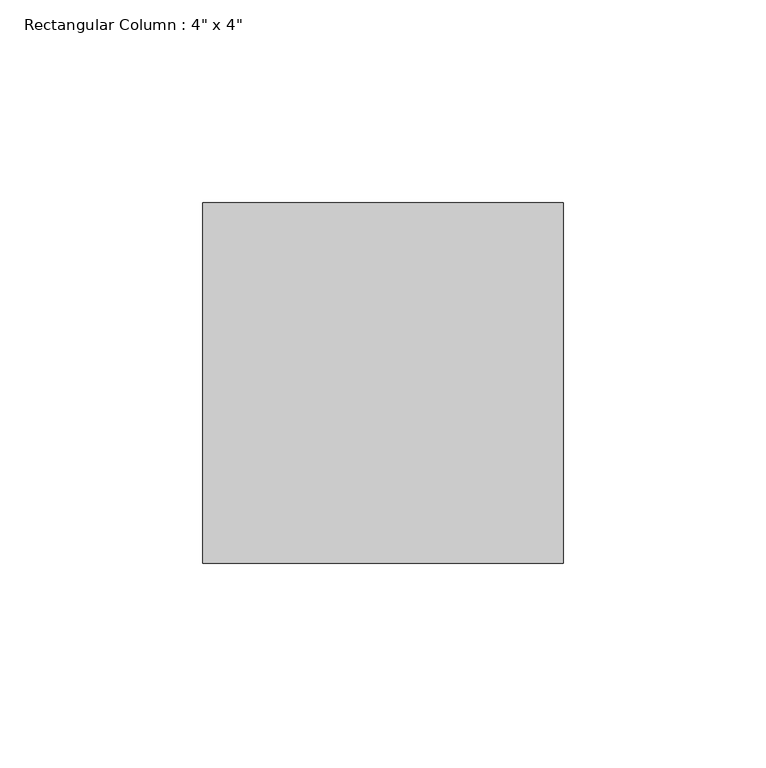
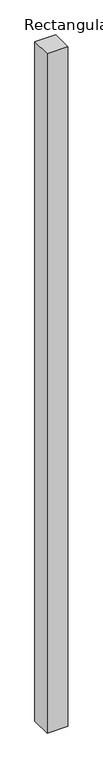
"""IFC4 building model written with IfcOpenShell, lengths in millimetres: column geometry."""

from ifc_helpers import new_model, si_unit, origin, origin_with_axes, place, context, project, spatial, polyline, outline, extrude, source, transform, mapped, element, save


def column_6517e042(model_context):
    return source(origin(), model_context, "Body", "SweptSolid", [
        extrude(outline(polyline([(44.45, 44.45), (44.45, -44.45), (-44.45, -44.45), (-44.45, 44.45), (44.45, 44.45)])), origin_with_axes(), (0.0, 0.0, 1.0), 3048.0),
    ])


if __name__ == "__main__":
    model = new_model("IFC4")
    model_context = context("Model", 3, world=origin())
    ifc_project = project(units=[si_unit("LENGTHUNIT", "METRE", prefix="MILLI")], contexts=[model_context])
    site = spatial("IfcSite", under=ifc_project)
    building = spatial("IfcBuilding", under=site)
    placement = place(None, origin())
    column_shape = column_6517e042(model_context)
    element("IfcColumn", 1, ObjectType="Rectangular Column : 4\" x 4\"", at=placement, inside=building, context=model_context, shape_type="MappedRepresentation", body=[
        mapped(column_shape, transform((0.0, 0.0, 0.0), x_axis=(1.0, 0.0, 0.0), y_axis=(0.0, 1.0, 0.0), z_axis=(0.0, 0.0, 1.0))),
    ])
    save(model, "model.ifc")
